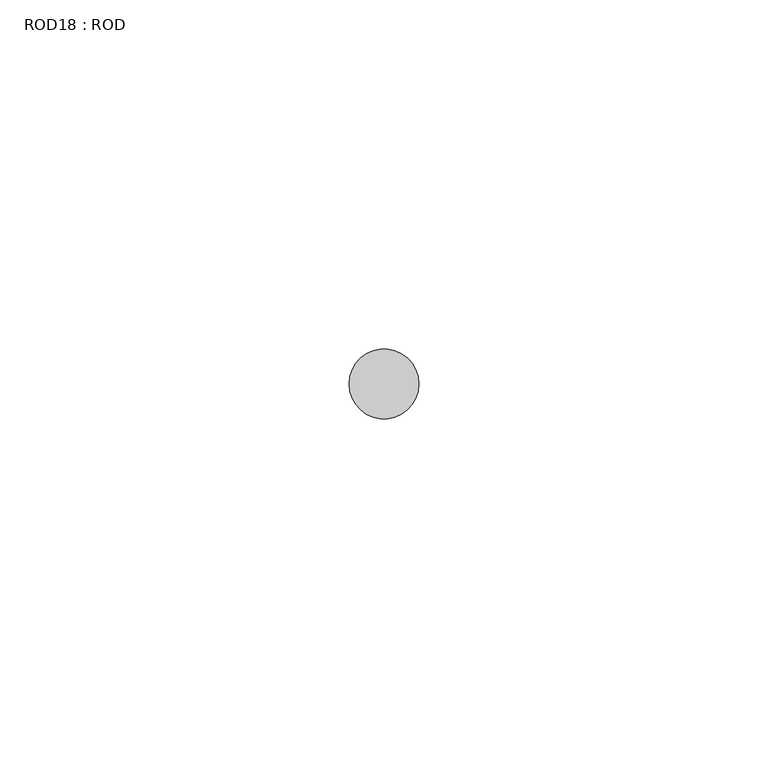
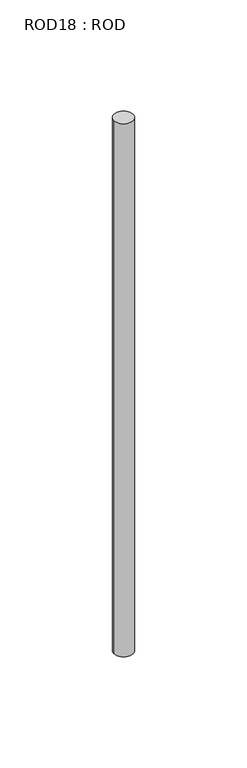
"""IFC4 building model written with IfcOpenShell, lengths in millimetres: proxy geometry, ROD18 : ROD."""

from ifc_helpers import new_model, si_unit, point, frame, frame_2d, origin, place, context, project, spatial, circle_curve, trimmed, segment, composite_curve, outline, extrude, source, transform, mapped, element, save


def rod18_rod_260067de(model_context):
    return source(origin(), model_context, "Body", "SweptSolid", [
        extrude(outline(composite_curve([segment(trimmed(circle_curve(frame_2d((-6467.2215616, -1114.6300853)), 5.0), [point((-6472.2215616, -1114.6300853))], [point((-6462.2215616, -1114.6300853))], False, "CARTESIAN"), True, "CONTINUOUS"), segment(trimmed(circle_curve(frame_2d((-6467.2215616, -1114.6300853)), 5.0), [point((-6462.2215616, -1114.6300853))], [point((-6472.2215616, -1114.6300853))], False, "CARTESIAN"), True, "CONTINUOUS")], self_intersect=False)), frame((0.0, 0.0, -208.6608845), z_axis=(0.0, 0.0, 1.0), x_axis=(1.0, 0.0, 0.0)), (0.0, 0.0, 1.0), 298.9028972),
    ])


if __name__ == "__main__":
    model = new_model("IFC4")
    model_context = context("Model", 3, world=origin())
    ifc_project = project(units=[si_unit("LENGTHUNIT", "METRE", prefix="MILLI")], contexts=[model_context])
    site = spatial("IfcSite", under=ifc_project)
    building = spatial("IfcBuilding", under=site)
    placement = place(None, origin())
    rod18_rod_shape = rod18_rod_260067de(model_context)
    element("IfcBuildingElementProxy", 1, Name="ROD18 : ROD", ObjectType="ROD18 : ROD", at=placement, inside=building, context=model_context, shape_type="MappedRepresentation", body=[
        mapped(rod18_rod_shape, transform((0.0, 0.0, 0.0), x_axis=(1.0, 0.0, 0.0), y_axis=(0.0, 1.0, 0.0), z_axis=(0.0, 0.0, 1.0))),
    ])
    save(model, "model.ifc")
